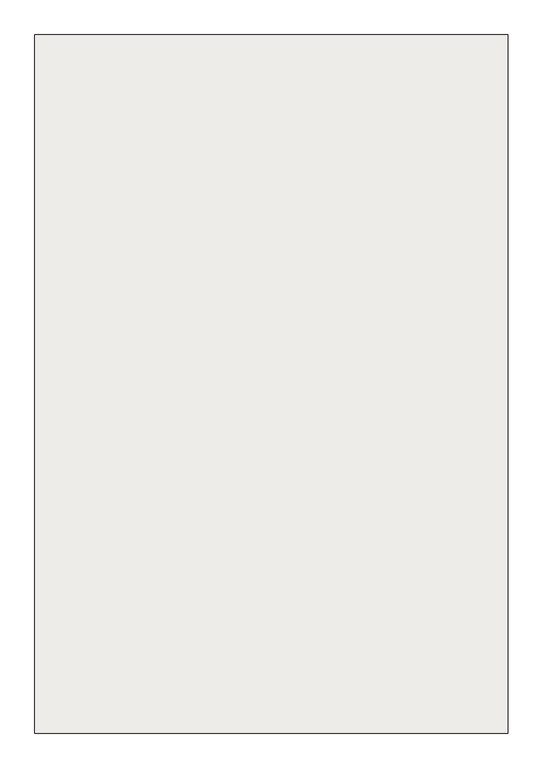
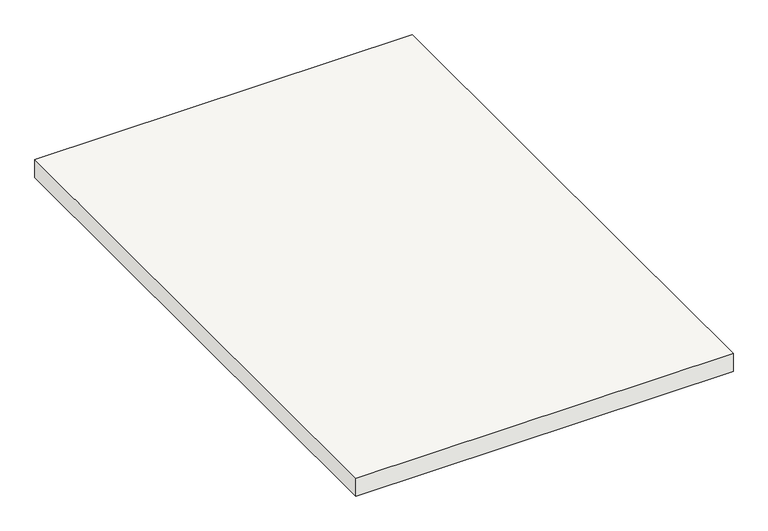
"""IFC4 building model written with IfcOpenShell, lengths in millimetres: slab geometry."""

from ifc_helpers import new_model, si_unit, frame, origin, place, context, project, spatial, polyline, outline, extrude, source, transform, mapped, element, save


def slab_15e594e1(model_context):
    return source(origin(), model_context, "Body", "SweptSolid", [
        extrude(outline(polyline([(-14920.4675457, -18322.7019092), (-14920.4675457, -16848.2676251), (-13920.4675457, -16848.2676251), (-13920.4675457, -17848.2676251), (-13920.4675457, -18322.7019092), (-14920.4675457, -18322.7019092)])), frame((0.0, 0.0, 1950.0), z_axis=(0.0, 0.0, 1.0), x_axis=(1.0, 0.0, 0.0)), (0.0, 0.0, 1.0), 50.0),
    ])


if __name__ == "__main__":
    model = new_model("IFC4")
    model_context = context("Model", 3, world=origin())
    ifc_project = project(units=[si_unit("LENGTHUNIT", "METRE", prefix="MILLI")], contexts=[model_context])
    site = spatial("IfcSite", under=ifc_project)
    building = spatial("IfcBuilding", under=site)
    placement = place(None, origin())
    slab_shape = slab_15e594e1(model_context)
    element("IfcSlab", 1, at=placement, inside=building, context=model_context, shape_type="MappedRepresentation", body=[
        mapped(slab_shape, transform((0.0, 0.0, 0.0), x_axis=(1.0, 0.0, 0.0), y_axis=(0.0, 1.0, 0.0), z_axis=(0.0, 0.0, 1.0))),
    ])
    save(model, "model.ifc")
